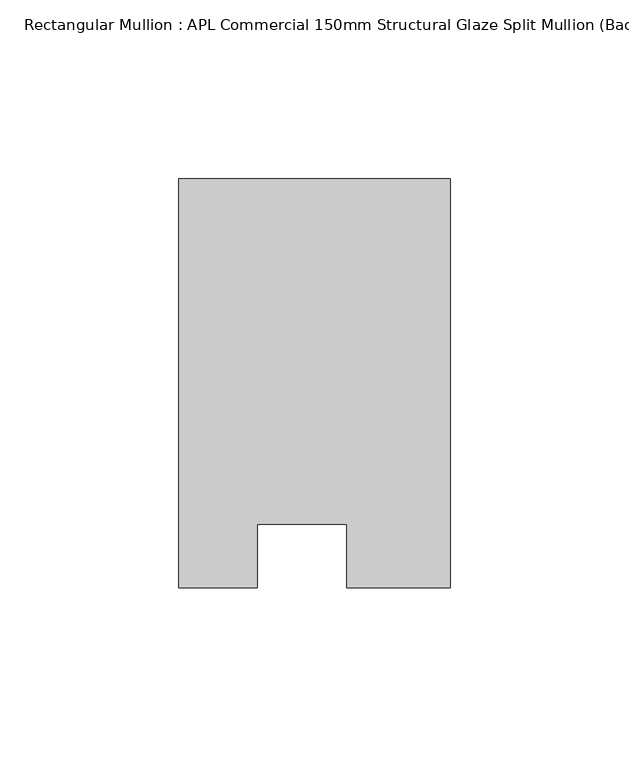
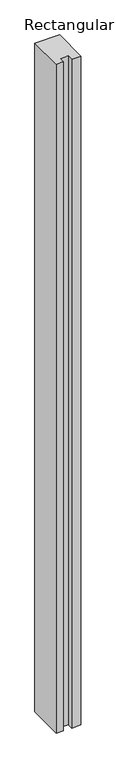
"""IFC4 building model written with IfcOpenShell, lengths in millimetres: member geometry, Rectangular Mullion : APL Commercial 150mm Structural Glaze Split Mullion (Back)."""

from ifc_helpers import new_model, si_unit, frame, origin, place, context, project, spatial, polyline, outline, extrude, source, transform, mapped, element, save


def rectangular_mullion_apl_commercial_150mm_structural_glaze_863f33a8(model_context):
    return source(origin(), model_context, "Body", "SweptSolid", [
        extrude(outline(polyline([(37.9999914, 129.5195626), (37.9999914, 14.9960123), (9.0, 14.9960123), (9.0, 32.7960123), (-16.0, 32.7960123), (-16.0, 14.9960123), (-37.9999896, 14.9960123), (-37.9999896, 129.5195626), (37.9999914, 129.5195626)])), frame((0.0, 0.0, -2185.025975), z_axis=(0.0, 0.0, 1.0), x_axis=(1.0, 0.0, 0.0)), (0.0, 0.0, 1.0), 2185.025975),
    ])


if __name__ == "__main__":
    model = new_model("IFC4")
    model_context = context("Model", 3, world=origin())
    ifc_project = project(units=[si_unit("LENGTHUNIT", "METRE", prefix="MILLI")], contexts=[model_context])
    site = spatial("IfcSite", under=ifc_project)
    building = spatial("IfcBuilding", under=site)
    placement = place(None, origin())
    rectangular_mullion_apl_commercial_150mm_structural_glaze_shape = rectangular_mullion_apl_commercial_150mm_structural_glaze_863f33a8(model_context)
    element("IfcMember", 1, ObjectType="Rectangular Mullion : APL Commercial 150mm Structural Glaze Split Mullion (Back)", at=placement, inside=building, context=model_context, shape_type="MappedRepresentation", body=[
        mapped(rectangular_mullion_apl_commercial_150mm_structural_glaze_shape, transform((0.0, 0.0, 0.0), x_axis=(1.0, 0.0, 0.0), y_axis=(0.0, 1.0, 0.0), z_axis=(0.0, 0.0, 1.0))),
    ])
    save(model, "model.ifc")
